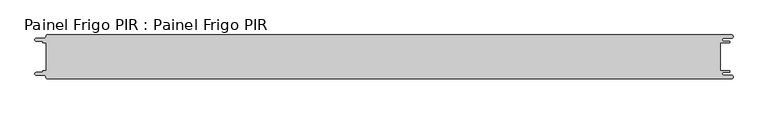
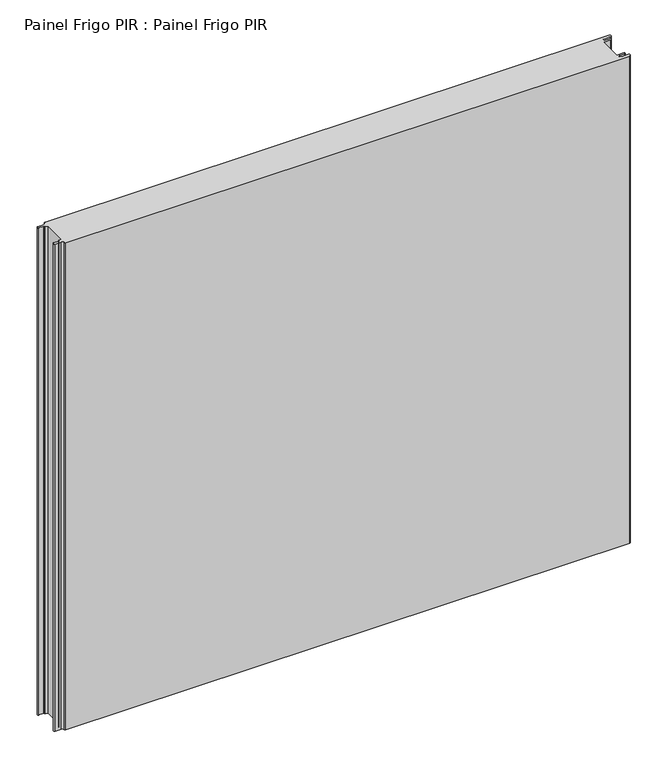
"""IFC4 building model written with IfcOpenShell, lengths in millimetres: proxy geometry, Painel Frigo PIR : Painel Frigo PIR."""

from ifc_helpers import new_model, si_unit, frame, origin, place, context, project, spatial, polyline, circle_curve, source, transform, mapped, element, save
from ifc_brep_helpers import plane_surface, cylinder_surface, revolved_surface, advanced_brep


def painel_frigo_pir_painel_frigo_pir_8c86acc0(model_context):
    return source(origin(), model_context, "Body", "AdvancedBrep", [
        advanced_brep(
        [(-554.5874998, -22.3, 1000.0), (-555.1874998, -22.9, 1000.0), (-555.1874998, -23.7085184, 1000.0), (-556.5875001, -25.1085187, 1000.0), (-565.565625, -25.1085187, 1000.0), (-565.565625, -29.5085185, 1000.0), (-553.55, -29.5085185, 1000.0), (-550.0, -33.0585185, 1000.0), (-548.05, -35.0, 1000.0), (546.89375, -35.0, 1000.0), (546.89375, -29.725, 1000.0), (534.45625, -29.725, 1000.0), (534.45625, -24.875, 1000.0), (543.1187503, -24.875, 1000.0), (543.1187503, -22.3, 1000.0), (529.2687503, -22.3, 1000.0), (529.2687503, 22.3, 1000.0), (543.1187503, 22.3, 1000.0), (543.1187503, 24.875, 1000.0), (534.45625, 24.875, 1000.0), (534.45625, 29.725, 1000.0), (546.89375, 29.725, 1000.0), (546.89375, 35.0, 1000.0), (-548.05, 35.0, 1000.0), (-550.0, 33.05, 1000.0), (-553.55, 29.5085185, 1000.0), (-565.565625, 29.5085185, 1000.0), (-565.565625, 25.1085185, 1000.0), (-556.5875003, 25.1085185, 1000.0), (-555.1875003, 23.7085185, 1000.0), (-555.1875003, 22.9, 1000.0), (-554.5874998, 22.2999995, 1000.0), (-549.2999612, 22.2999995, 1000.0), (-549.2999612, -22.3, 1000.0), (-554.5874998, -22.3, 0.0), (-549.2999612, -22.3, 0.0), (-549.2999612, 22.2999995, 0.0), (-554.5874998, 22.2999995, 0.0), (-555.1875003, 22.9, 0.0), (-555.1875003, 23.7085185, 0.0), (-556.5875003, 25.1085185, 0.0), (-565.565625, 25.1085185, 0.0), (-565.565625, 29.5085185, 0.0), (-553.55, 29.5085185, 0.0), (-550.0, 33.0585185, 0.0), (-548.05, 35.0, 0.0), (546.89375, 35.0, 0.0), (546.89375, 29.725, 0.0), (534.45625, 29.725, 0.0), (534.45625, 24.875, 0.0), (543.1187503, 24.875, 0.0), (543.1187503, 22.3, 0.0), (529.2687503, 22.3, 0.0), (529.2687503, -22.3, 0.0), (543.1187503, -22.3, 0.0), (543.1187503, -24.875, 0.0), (534.45625, -24.875, 0.0), (534.45625, -29.725, 0.0), (546.89375, -29.725, 0.0), (546.89375, -35.0, 0.0), (-548.05, -35.0, 0.0), (-550.0, -33.05, 0.0), (-553.55, -29.5085185, 0.0), (-565.565625, -29.5085185, 0.0), (-565.565625, -25.1085187, 0.0), (-556.5875001, -25.1085187, 0.0), (-555.1874998, -23.7085184, 0.0), (-555.1874998, -22.9, 0.0)],
        [
            (0, 1, circle_curve(frame((-554.5874998, -22.9, 1000.0), z_axis=(0.0, 0.0, 1.0), x_axis=(1.0, 0.0, 0.0)), 0.6)),
            (1, 2),
            (2, 3, circle_curve(frame((-556.5875001, -23.7085184, 1000.0), z_axis=(0.0, 0.0, -1.0), x_axis=(1.0, 0.0, 0.0)), 1.4000003)),
            (3, 4),
            (4, 5, circle_curve(frame((-565.565625, -27.3085186, 1000.0), z_axis=(0.0, 0.0, 1.0), x_axis=(1.0, 0.0, 0.0)), 2.1999999)),
            (5, 6),
            (6, 7, circle_curve(frame((-553.55, -33.0585185, 1000.0), z_axis=(0.0, 0.0, -1.0), x_axis=(1.0, 0.0, 0.0)), 3.55)),
            (7, 8, circle_curve(frame((-548.05, -33.05, 1000.0), z_axis=(0.0, 0.0, 1.0), x_axis=(1.0, 0.0, 0.0)), 1.95)),
            (8, 9),
            (9, 10, circle_curve(frame((546.89375, -32.3625, 1000.0), z_axis=(0.0, 0.0, 1.0), x_axis=(1.0, 0.0, 0.0)), 2.6375)),
            (10, 11),
            (11, 12, circle_curve(frame((534.45625, -27.3, 1000.0), z_axis=(0.0, 0.0, -1.0), x_axis=(1.0, 0.0, 0.0)), 2.425)),
            (12, 13),
            (13, 14, circle_curve(frame((543.1187503, -23.5875, 1000.0), z_axis=(0.0, 0.0, 1.0), x_axis=(1.0, 0.0, 0.0)), 1.2875)),
            (14, 15),
            (15, 16),
            (16, 17),
            (17, 18, circle_curve(frame((543.1187503, 23.5875, 1000.0), z_axis=(0.0, 0.0, 1.0), x_axis=(1.0, 0.0, 0.0)), 1.2875)),
            (18, 19),
            (19, 20, circle_curve(frame((534.45625, 27.3, 1000.0), z_axis=(0.0, 0.0, -1.0), x_axis=(1.0, 0.0, 0.0)), 2.425)),
            (20, 21),
            (21, 22, circle_curve(frame((546.89375, 32.3625, 1000.0), z_axis=(0.0, 0.0, 1.0), x_axis=(1.0, 0.0, 0.0)), 2.6375)),
            (22, 23),
            (23, 24, circle_curve(frame((-548.05, 33.05, 1000.0), z_axis=(0.0, 0.0, 1.0), x_axis=(1.0, 0.0, 0.0)), 1.95)),
            (24, 25, circle_curve(frame((-553.55, 33.0585185, 1000.0), z_axis=(0.0, 0.0, -1.0), x_axis=(1.0, 0.0, 0.0)), 3.55)),
            (25, 26),
            (26, 27, circle_curve(frame((-565.565625, 27.3085185, 1000.0), z_axis=(0.0, 0.0, 1.0), x_axis=(1.0, 0.0, 0.0)), 2.2)),
            (27, 28),
            (28, 29, circle_curve(frame((-556.5875003, 23.7085185, 1000.0), z_axis=(0.0, 0.0, -1.0), x_axis=(1.0, 0.0, 0.0)), 1.4)),
            (29, 30),
            (30, 31, circle_curve(frame((-554.5874998, 22.9, 1000.0), z_axis=(0.0, 0.0, 1.0), x_axis=(1.0, 0.0, 0.0)), 0.6000005)),
            (31, 32),
            (32, 33),
            (33, 0),
            (34, 35),
            (35, 36),
            (36, 37),
            (37, 38, circle_curve(frame((-554.5874998, 22.9, 0.0), z_axis=(0.0, 0.0, -1.0), x_axis=(1.0, 0.0, 0.0)), 0.6000005)),
            (38, 39),
            (39, 40, circle_curve(frame((-556.5875003, 23.7085185, 0.0), z_axis=(0.0, 0.0, 1.0), x_axis=(1.0, 0.0, 0.0)), 1.4)),
            (40, 41),
            (41, 42, circle_curve(frame((-565.565625, 27.3085185, 0.0), z_axis=(0.0, 0.0, -1.0), x_axis=(1.0, 0.0, 0.0)), 2.2)),
            (42, 43),
            (43, 44, circle_curve(frame((-553.55, 33.0585185, 0.0), z_axis=(0.0, 0.0, 1.0), x_axis=(1.0, 0.0, 0.0)), 3.55)),
            (44, 45, circle_curve(frame((-548.05, 33.05, 0.0), z_axis=(0.0, 0.0, -1.0), x_axis=(1.0, 0.0, 0.0)), 1.95)),
            (45, 46),
            (46, 47, circle_curve(frame((546.89375, 32.3625, 0.0), z_axis=(0.0, 0.0, -1.0), x_axis=(1.0, 0.0, 0.0)), 2.6375)),
            (47, 48),
            (48, 49, circle_curve(frame((534.45625, 27.3, 0.0), z_axis=(0.0, 0.0, 1.0), x_axis=(1.0, 0.0, 0.0)), 2.425)),
            (49, 50),
            (50, 51, circle_curve(frame((543.1187503, 23.5875, 0.0), z_axis=(0.0, 0.0, -1.0), x_axis=(1.0, 0.0, 0.0)), 1.2875)),
            (51, 52),
            (52, 53),
            (53, 54),
            (54, 55, circle_curve(frame((543.1187503, -23.5875, 0.0), z_axis=(0.0, 0.0, -1.0), x_axis=(1.0, 0.0, 0.0)), 1.2875)),
            (55, 56),
            (56, 57, circle_curve(frame((534.45625, -27.3, 0.0), z_axis=(0.0, 0.0, 1.0), x_axis=(1.0, 0.0, 0.0)), 2.425)),
            (57, 58),
            (58, 59, circle_curve(frame((546.89375, -32.3625, 0.0), z_axis=(0.0, 0.0, -1.0), x_axis=(1.0, 0.0, 0.0)), 2.6375)),
            (59, 60),
            (60, 61, circle_curve(frame((-548.05, -33.05, 0.0), z_axis=(0.0, 0.0, -1.0), x_axis=(1.0, 0.0, 0.0)), 1.95)),
            (61, 62, circle_curve(frame((-553.55, -33.0585185, 0.0), z_axis=(0.0, 0.0, 1.0), x_axis=(1.0, 0.0, 0.0)), 3.55)),
            (62, 63),
            (63, 64, circle_curve(frame((-565.565625, -27.3085186, 0.0), z_axis=(0.0, 0.0, -1.0), x_axis=(1.0, 0.0, 0.0)), 2.1999999)),
            (64, 65),
            (65, 66, circle_curve(frame((-556.5875001, -23.7085184, 0.0), z_axis=(0.0, 0.0, 1.0), x_axis=(1.0, 0.0, 0.0)), 1.4000003)),
            (66, 67),
            (67, 34, circle_curve(frame((-554.5874998, -22.9, 0.0), z_axis=(0.0, 0.0, -1.0), x_axis=(1.0, 0.0, 0.0)), 0.6)),
            (33, 35),
            (34, 0),
            (32, 36),
            (31, 37),
            (30, 38),
            (29, 39),
            (28, 40),
            (27, 41),
            (26, 42),
            (25, 43),
            (24, 44),
            (23, 45),
            (22, 46),
            (15, 53),
            (52, 16),
            (14, 54),
            (13, 55),
            (12, 56),
            (11, 57),
            (10, 58),
            (9, 59),
            (8, 60),
            (7, 61),
            (6, 62),
            (5, 63),
            (4, 64),
            (3, 65),
            (2, 66),
            (1, 67),
            (21, 47),
            (20, 48),
            (19, 49),
            (18, 50),
            (17, 51),
        ],
        [
            plane_surface(frame((-549.2999612, -22.3, 1000.0), z_axis=(0.0, 0.0, 1.0), x_axis=(1.0, 0.0, 0.0))),
            plane_surface(frame((-549.2999612, -22.3, 0.0), z_axis=(0.0, 0.0, -1.0), x_axis=(-1.0, 0.0, 0.0))),
            plane_surface(frame((-554.5874998, -22.3, 1000.0), z_axis=(0.0, 1.0, 0.0), x_axis=(0.0, 0.0, -1.0))),
            plane_surface(frame((-549.2999612, -22.3, 1000.0), z_axis=(-1.0, 0.0, 0.0), x_axis=(0.0, 0.0, -1.0))),
            plane_surface(frame((-549.2999612, 22.2999995, 1000.0), z_axis=(0.0, -1.0, 0.0), x_axis=(0.0, 0.0, -1.0))),
            cylinder_surface(frame((-554.5874998, 22.9, 0.0), z_axis=(0.0, 0.0, 1.0), x_axis=(1.0, 0.0, 0.0)), 0.6000005),
            plane_surface(frame((-555.1875003, 22.9, 1000.0), z_axis=(-1.0, -1.7578608662329244e-12, 0.0), x_axis=(0.0, 0.0, -1.0))),
            revolved_surface(polyline([(-555.1875003, 23.7085185, 0.0), (-555.1875003, 23.7085185, 1000.0)]), (-556.5875003, 23.7085185, 0.0), (0.0, 0.0, -1.0)),
            plane_surface(frame((-556.5875003, 25.1085185, 1000.0), z_axis=(0.0, -1.0, 0.0), x_axis=(0.0, 0.0, -1.0))),
            cylinder_surface(frame((-565.565625, 27.3085185, 0.0), z_axis=(0.0, 0.0, 1.0), x_axis=(1.0, 0.0, 0.0)), 2.2),
            plane_surface(frame((-565.565625, 29.5085185, 1000.0), z_axis=(0.0, 1.0, 0.0), x_axis=(0.0, 0.0, -1.0))),
            revolved_surface(polyline([(-550.0, 33.0585185, 0.0), (-550.0, 33.0585185, 1000.0)]), (-553.55, 33.0585185, 0.0), (0.0, 0.0, -1.0)),
            cylinder_surface(frame((-548.05, 33.05, 0.0), z_axis=(0.0, 0.0, 1.0), x_axis=(1.0, 0.0, 0.0)), 1.95),
            plane_surface(frame((-548.05, 35.0, 1000.0), z_axis=(0.0, 1.0, 0.0), x_axis=(0.0, 0.0, -1.0))),
            plane_surface(frame((529.2687503, 22.3, 1000.0), z_axis=(1.0, 0.0, 0.0), x_axis=(0.0, 0.0, -1.0))),
            plane_surface(frame((529.2687503, -22.3, 1000.0), z_axis=(0.0, 1.0, 0.0), x_axis=(0.0, 0.0, -1.0))),
            cylinder_surface(frame((543.1187503, -23.5875, 0.0), z_axis=(0.0, 0.0, 1.0), x_axis=(1.0, 0.0, 0.0)), 1.2875),
            plane_surface(frame((543.1187503, -24.875, 1000.0), z_axis=(0.0, -1.0, 0.0), x_axis=(0.0, 0.0, -1.0))),
            revolved_surface(polyline([(536.8812499999999, -27.3, 0.0), (536.8812499999999, -27.3, 1000.0)]), (534.45625, -27.3, 0.0), (0.0, 0.0, -1.0)),
            plane_surface(frame((534.45625, -29.725, 1000.0), z_axis=(0.0, 1.0, 0.0), x_axis=(0.0, 0.0, -1.0))),
            cylinder_surface(frame((546.89375, -32.3625, 0.0), z_axis=(0.0, 0.0, 1.0), x_axis=(1.0, 0.0, 0.0)), 2.6375),
            plane_surface(frame((546.89375, -35.0, 1000.0), z_axis=(0.0, -1.0, 0.0), x_axis=(0.0, 0.0, -1.0))),
            cylinder_surface(frame((-548.05, -33.05, 0.0), z_axis=(0.0, 0.0, 1.0), x_axis=(1.0, 0.0, 0.0)), 1.95),
            revolved_surface(polyline([(-550.0, -33.0585185, 0.0), (-550.0, -33.0585185, 1000.0)]), (-553.55, -33.0585185, 0.0), (0.0, 0.0, -1.0)),
            plane_surface(frame((-553.55, -29.5085185, 1000.0), z_axis=(0.0, -1.0, 0.0), x_axis=(0.0, 0.0, -1.0))),
            cylinder_surface(frame((-565.565625, -27.3085186, 0.0), z_axis=(0.0, 0.0, 1.0), x_axis=(1.0, 0.0, 0.0)), 2.1999999),
            plane_surface(frame((-565.565625, -25.1085187, 1000.0), z_axis=(0.0, 1.0, 0.0), x_axis=(0.0, 0.0, -1.0))),
            revolved_surface(polyline([(-555.1874998000001, -23.7085184, 0.0), (-555.1874998000001, -23.7085184, 1000.0)]), (-556.5875001, -23.7085184, 0.0), (0.0, 0.0, -1.0)),
            plane_surface(frame((-555.1874998, -23.7085184, 1000.0), z_axis=(-1.0, 0.0, 0.0), x_axis=(0.0, 0.0, -1.0))),
            cylinder_surface(frame((-554.5874998, -22.9, 0.0), z_axis=(0.0, 0.0, 1.0), x_axis=(1.0, 0.0, 0.0)), 0.6),
            cylinder_surface(frame((546.89375, 32.3625, 0.0), z_axis=(0.0, 0.0, 1.0), x_axis=(1.0, 0.0, 0.0)), 2.6375),
            plane_surface(frame((546.89375, 29.725, 1000.0), z_axis=(0.0, -1.0, 0.0), x_axis=(0.0, 0.0, -1.0))),
            revolved_surface(polyline([(536.8812499999999, 27.3, 0.0), (536.8812499999999, 27.3, 1000.0)]), (534.45625, 27.3, 0.0), (0.0, 0.0, -1.0)),
            plane_surface(frame((534.45625, 24.875, 1000.0), z_axis=(0.0, 1.0, 0.0), x_axis=(0.0, 0.0, -1.0))),
            cylinder_surface(frame((543.1187503, 23.5875, 0.0), z_axis=(0.0, 0.0, 1.0), x_axis=(1.0, 0.0, 0.0)), 1.2875),
            plane_surface(frame((543.1187503, 22.3, 1000.0), z_axis=(0.0, -1.0, 0.0), x_axis=(0.0, 0.0, -1.0))),
        ],
        [
            (0, [[1, 2, 3, 4, 5, 6, 7, 8, 9, 10, 11, 12, 13, 14, 15, 16, 17, 18, 19, 20, 21, 22, 23, 24, 25, 26, 27, 28, 29, 30, 31, 32, 33, 34]]),
            (1, [[35, 36, 37, 38, 39, 40, 41, 42, 43, 44, 45, 46, 47, 48, 49, 50, 51, 52, 53, 54, 55, 56, 57, 58, 59, 60, 61, 62, 63, 64, 65, 66, 67, 68]]),
            (2, [[69, -35, 70, -34]]),
            (3, [[71, -36, -69, -33]]),
            (4, [[72, -37, -71, -32]]),
            (5, [[73, -38, -72, -31]]),
            (6, [[74, -39, -73, -30]]),
            (7, [[75, -40, -74, -29]]),
            (8, [[76, -41, -75, -28]]),
            (9, [[77, -42, -76, -27]]),
            (10, [[78, -43, -77, -26]]),
            (11, [[79, -44, -78, -25]]),
            (12, [[80, -45, -79, -24]]),
            (13, [[81, -46, -80, -23]]),
            (14, [[82, -53, 83, -16]]),
            (15, [[84, -54, -82, -15]]),
            (16, [[85, -55, -84, -14]]),
            (17, [[86, -56, -85, -13]]),
            (18, [[87, -57, -86, -12]]),
            (19, [[88, -58, -87, -11]]),
            (20, [[89, -59, -88, -10]]),
            (21, [[90, -60, -89, -9]]),
            (22, [[91, -61, -90, -8]]),
            (23, [[92, -62, -91, -7]]),
            (24, [[93, -63, -92, -6]]),
            (25, [[94, -64, -93, -5]]),
            (26, [[95, -65, -94, -4]]),
            (27, [[96, -66, -95, -3]]),
            (28, [[97, -67, -96, -2]]),
            (29, [[-70, -68, -97, -1]]),
            (30, [[98, -47, -81, -22]]),
            (31, [[99, -48, -98, -21]]),
            (32, [[100, -49, -99, -20]]),
            (33, [[101, -50, -100, -19]]),
            (34, [[102, -51, -101, -18]]),
            (35, [[-83, -52, -102, -17]]),
        ],
    ),
    ])


if __name__ == "__main__":
    model = new_model("IFC4")
    model_context = context("Model", 3, world=origin())
    ifc_project = project(units=[si_unit("LENGTHUNIT", "METRE", prefix="MILLI")], contexts=[model_context])
    site = spatial("IfcSite", under=ifc_project)
    building = spatial("IfcBuilding", under=site)
    placement = place(None, origin())
    painel_frigo_pir_painel_frigo_pir_shape = painel_frigo_pir_painel_frigo_pir_8c86acc0(model_context)
    element("IfcBuildingElementProxy", 1, Name="Painel Frigo PIR : Painel Frigo PIR", ObjectType="Painel Frigo PIR : Painel Frigo PIR", at=placement, inside=building, context=model_context, shape_type="MappedRepresentation", body=[
        mapped(painel_frigo_pir_painel_frigo_pir_shape, transform((0.0, 0.0, 0.0), x_axis=(1.0, 0.0, 0.0), y_axis=(0.0, 1.0, 0.0), z_axis=(0.0, 0.0, 1.0))),
    ])
    save(model, "model.ifc")
